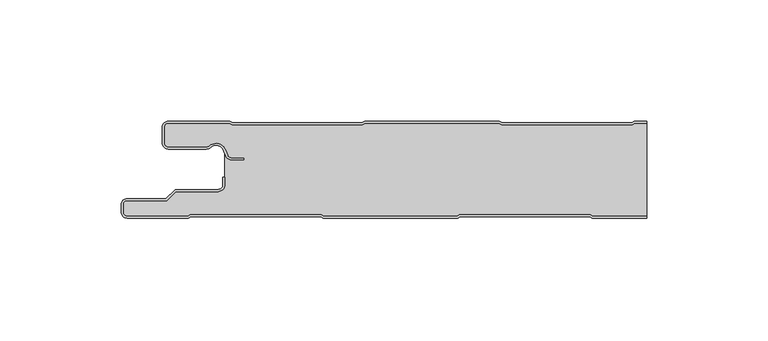
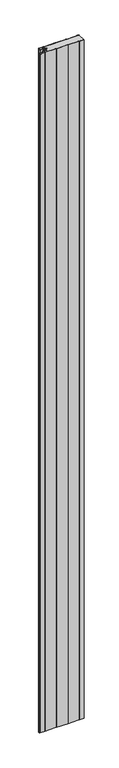
"""IFC4 building model written with IfcOpenShell, lengths in millimetres: plate geometry."""

import ifcopenshell
import ifcopenshell.guid

model = None  # the IFC model being written
_history = None  # IfcOwnerHistory: only IFC2X3 demands one
_inside = {}  # id of a spatial element -> (the spatial element, [elements in it])
_under = {}  # id of a project, library or spatial element -> (it, [spatial elements below it])
_declared = {}  # id of a project -> (the project, [libraries it declares])
_typed = {}  # id of a type object -> (the type object, [elements of that type])
_made_of = {}  # id of a material, layer set ... -> (it, [elements and type objects made of it])


def new_model(schema):
    """Start an empty IFC model of exactly this schema.

    Asked for "IFC4X3", IfcOpenShell would pick the latest addendum, in which some entities
    have other attributes; the version numbers below select the first issue.
    IFC2X3 requires an IfcOwnerHistory on every rooted entity: one is made here for all.
    """
    global model, _history
    if schema == "IFC4X3":
        model = ifcopenshell.file(schema_version=(4, 3, 0, 0))
    else:
        model = ifcopenshell.file(schema=schema)
    _inside.clear()
    _under.clear()
    _declared.clear()
    _typed.clear()
    _made_of.clear()
    _history = None
    if model.schema == "IFC2X3":
        org = make("IfcOrganization", Name="unknown")
        user = make(
            "IfcPersonAndOrganization",
            ThePerson=make("IfcPerson", FamilyName="unknown"),
            TheOrganization=org,
        )
        app = make(
            "IfcApplication",
            ApplicationDeveloper=org,
            Version="unknown",
            ApplicationFullName="unknown",
            ApplicationIdentifier="unknown",
        )
        _history = make(
            "IfcOwnerHistory",
            OwningUser=user,
            OwningApplication=app,
            ChangeAction="ADDED",
            CreationDate=0,
        )
    return model


def make(cls, **values):
    """One entity of the class cls with the attributes given. An attribute that is None is left unset."""
    return model.create_entity(
        cls, **{name: value for name, value in values.items() if value is not None}
    )


def rooted(cls, **values):
    """An entity with a GlobalId (a new one), such as an element, a storey or a relation."""
    return make(cls, GlobalId=ifcopenshell.guid.new(), OwnerHistory=_history, **values)


def si_unit(unit_type, name, prefix=None):
    """IfcSIUnit, for example si_unit("LENGTHUNIT", "METRE", prefix="MILLI")."""
    return make("IfcSIUnit", UnitType=unit_type, Prefix=prefix, Name=name)


def assignment(units):
    """IfcUnitAssignment: the units of a project."""
    return None if units is None else make("IfcUnitAssignment", Units=units)


def point(xyz):
    """IfcCartesianPoint."""
    return None if xyz is None else make("IfcCartesianPoint", Coordinates=xyz)


def direction(xyz):
    """IfcDirection."""
    return None if xyz is None else make("IfcDirection", DirectionRatios=xyz)


def frame(location, z_axis=None, x_axis=None):
    """IfcAxis2Placement3D, a coordinate frame: its origin and axes. An axis left out is left unset."""
    return make(
        "IfcAxis2Placement3D",
        Location=point(location),
        Axis=direction(z_axis),
        RefDirection=direction(x_axis),
    )


def frame_2d(location, x_axis=None):
    """IfcAxis2Placement2D, a coordinate frame in the plane: its origin and x axis."""
    return make(
        "IfcAxis2Placement2D", Location=point(location), RefDirection=direction(x_axis)
    )


def origin():
    """The frame at (0, 0, 0) with its axes left unset."""
    return frame((0.0, 0.0, 0.0))


def origin_with_axes():
    """The frame at (0, 0, 0) with the z axis (0, 0, 1) and the x axis (1, 0, 0) written out."""
    return frame((0.0, 0.0, 0.0), z_axis=(0.0, 0.0, 1.0), x_axis=(1.0, 0.0, 0.0))


def place(relative_to, where):
    """IfcLocalPlacement: puts the frame where relative to a parent placement (None: the world)."""
    return make(
        "IfcLocalPlacement", PlacementRelTo=relative_to, RelativePlacement=where
    )


def context(
    kind, dimensions, precision=None, world=None, true_north=None, identifier=None
):
    """IfcGeometricRepresentationContext, for example the 3D "Model" context."""
    return make(
        "IfcGeometricRepresentationContext",
        ContextIdentifier=identifier,
        ContextType=kind,
        CoordinateSpaceDimension=dimensions,
        Precision=precision,
        WorldCoordinateSystem=world,
        TrueNorth=true_north,
    )


def project(units=None, contexts=None):
    """IfcProject with its units and contexts."""
    return rooted(
        "IfcProject",
        Name="project",
        RepresentationContexts=contexts,
        UnitsInContext=assignment(units),
    )


def spatial(cls, under=None, at=None, **own):
    """A site, building, storey or space (cls), placed at a placement, below another one or the project."""
    s = rooted(cls, ObjectPlacement=at, **own)
    if under is not None:
        _under.setdefault(under.id(), (under, []))[1].append(s)
    return s


def polyline(points):
    """IfcPolyline through the points."""
    return make("IfcPolyline", Points=[point(p) for p in points])


def circle_curve(where, radius):
    """IfcCircle in the frame where."""
    return make("IfcCircle", Position=where, Radius=radius)


def trimmed(basis, trim1, trim2, sense, master):
    """IfcTrimmedCurve: the piece of a basis curve between two trims."""
    return make(
        "IfcTrimmedCurve",
        BasisCurve=basis,
        Trim1=trim1,
        Trim2=trim2,
        SenseAgreement=sense,
        MasterRepresentation=master,
    )


def segment(curve, same_sense, transition):
    """IfcCompositeCurveSegment."""
    return make(
        "IfcCompositeCurveSegment",
        Transition=transition,
        SameSense=same_sense,
        ParentCurve=curve,
    )


def composite_curve(segments, self_intersect=None):
    """IfcCompositeCurve: segments joined end to end."""
    return make("IfcCompositeCurve", Segments=segments, SelfIntersect=self_intersect)


def outline(outer, holes=None, kind="AREA"):
    """IfcArbitraryClosedProfileDef: a profile drawn as a closed curve; with holes, ...WithVoids."""
    if holes is None:
        return make("IfcArbitraryClosedProfileDef", ProfileType=kind, OuterCurve=outer)
    return make(
        "IfcArbitraryProfileDefWithVoids",
        ProfileType=kind,
        OuterCurve=outer,
        InnerCurves=holes,
    )


def extrude(swept, where, along, depth):
    """IfcExtrudedAreaSolid: the profile swept, set in the frame where, extruded along a direction by depth."""
    return make(
        "IfcExtrudedAreaSolid",
        SweptArea=swept,
        Position=where,
        ExtrudedDirection=direction(along),
        Depth=depth,
    )


def shape(context_of_items, identifier, shape_type, items):
    """IfcShapeRepresentation: the items that make up one representation, for example the "Body"."""
    return make(
        "IfcShapeRepresentation",
        ContextOfItems=context_of_items,
        RepresentationIdentifier=identifier,
        RepresentationType=shape_type,
        Items=items,
    )


def source(mapping_origin, context_of_items, identifier, shape_type, items):
    """IfcRepresentationMap: a shape defined once, which mapped items show again and again."""
    return make(
        "IfcRepresentationMap",
        MappingOrigin=mapping_origin,
        MappedRepresentation=shape(context_of_items, identifier, shape_type, items),
    )


def transform(
    local_origin,
    x_axis=None,
    y_axis=None,
    z_axis=None,
    scale=None,
    scale2=None,
    scale3=None,
    uniform=True,
):
    """IfcCartesianTransformationOperator3D, or its non-uniform kind. x_axis, y_axis, z_axis: its Axis1, 2, 3."""
    if uniform:
        return make(
            "IfcCartesianTransformationOperator3D",
            Axis1=direction(x_axis),
            Axis2=direction(y_axis),
            LocalOrigin=point(local_origin),
            Scale=scale,
            Axis3=direction(z_axis),
        )
    return make(
        "IfcCartesianTransformationOperator3DnonUniform",
        Axis1=direction(x_axis),
        Axis2=direction(y_axis),
        LocalOrigin=point(local_origin),
        Scale=scale,
        Axis3=direction(z_axis),
        Scale2=scale2,
        Scale3=scale3,
    )


def mapped(mapping_source, mapping_target):
    """IfcMappedItem: shows the shape of a source again, moved by a transform."""
    return make(
        "IfcMappedItem", MappingSource=mapping_source, MappingTarget=mapping_target
    )


def made_of(thing, what):
    """Note that an element or type object is made of a material, layer set ...; save() writes the relation."""
    if what is not None:
        _made_of.setdefault(what.id(), (what, []))[1].append(thing)
    return thing


def element(
    cls,
    number,
    at=None,
    inside=None,
    cuts=None,
    type_object=None,
    material=None,
    context=None,
    identifier="Body",
    shape_type=None,
    held_by="IfcProductDefinitionShape",
    body=None,
    shapes=None,
    **own,
):
    """One element of the class cls, such as IfcWall. Its Tag is "e" and its number.

    at: its placement. inside: the storey or other place that contains it. cuts: it is an
    opening in that element (IfcRelVoidsElement). A single representation is given by context,
    identifier, shape_type and body (its items); several are given by shapes. held_by: the class
    of the entity that holds the representations. save() writes the other relations.
    """
    e = rooted(cls, Tag="e%d" % number, ObjectPlacement=at, **own)
    if body is not None:
        shapes = [shape(context, identifier, shape_type, body)]
    if shapes is not None:
        e.Representation = make(held_by, Representations=shapes)
    if inside is not None:
        _inside.setdefault(inside.id(), (inside, []))[1].append(e)
    if cuts is not None:
        rooted(
            "IfcRelVoidsElement", RelatingBuildingElement=cuts, RelatedOpeningElement=e
        )
    if type_object is not None:
        _typed.setdefault(type_object.id(), (type_object, []))[1].append(e)
    return made_of(e, material)


def aggregate(whole, parts):
    """IfcRelAggregates: a whole, such as a stair, and the parts it consists of."""
    return rooted("IfcRelAggregates", RelatingObject=whole, RelatedObjects=parts)


def save(model, path):
    """Write the relations noted so far, then the file.

    IfcRelAggregates (storeys below a building ...), IfcRelContainedInSpatialStructure (elements
    in a storey), IfcRelDefinesByType, IfcRelAssociatesMaterial and IfcRelDeclares: one each for
    every whole, place, type object, material and project.
    """
    for whole, parts in _under.values():
        aggregate(whole, parts)
    for where, things in _inside.values():
        rooted(
            "IfcRelContainedInSpatialStructure",
            RelatedElements=things,
            RelatingStructure=where,
        )
    for kind, things in _typed.values():
        rooted("IfcRelDefinesByType", RelatedObjects=things, RelatingType=kind)
    for what, things in _made_of.values():
        rooted("IfcRelAssociatesMaterial", RelatedObjects=things, RelatingMaterial=what)
    for by, libraries in _declared.values():
        rooted("IfcRelDeclares", RelatingContext=by, RelatedDefinitions=libraries)
    model.write(path)


def plate_2ca455e5(model_context):
    return source(origin(), model_context, "Body", "SweptSolid", [
        extrude(outline(composite_curve([segment(polyline([(-117.0, -37.5), (-117.0, -34.5)]), True, "CONTINUOUS"), segment(trimmed(circle_curve(frame_2d((-114.5, -34.5)), 2.5), [point((-117.0, -34.5))], [point((-114.5, -32.0))], False, "CARTESIAN"), True, "CONTINUOUS"), segment(polyline([(-114.5, -32.0), (-98.5, -32.0), (-94.75, -28.25), (-77.0, -28.25)]), True, "CONTINUOUS"), segment(trimmed(circle_curve(frame_2d((-77.0, -26.25)), 2.0), [point((-77.0, -28.25))], [point((-75.0, -26.25))], True, "CARTESIAN"), True, "CONTINUOUS"), segment(polyline([(-75.0, -26.25), (-75.0, -23.25), (-74.2, -23.25), (-74.2, -26.25)]), True, "CONTINUOUS"), segment(trimmed(circle_curve(frame_2d((-77.0, -26.25)), 2.8), [point((-74.2, -26.25))], [point((-77.0, -29.05))], False, "CARTESIAN"), True, "CONTINUOUS"), segment(polyline([(-77.0, -29.05), (-94.4186292, -29.05), (-98.1686292, -32.8), (-114.5, -32.8)]), True, "CONTINUOUS"), segment(trimmed(circle_curve(frame_2d((-114.5, -34.5)), 1.7), [point((-114.5, -32.8))], [point((-116.2, -34.5))], True, "CARTESIAN"), True, "CONTINUOUS"), segment(polyline([(-116.2, -34.5), (-116.2, -37.5)]), True, "CONTINUOUS"), segment(trimmed(circle_curve(frame_2d((-114.5, -37.5)), 1.7), [point((-116.2, -37.5))], [point((-114.5, -39.2))], True, "CARTESIAN"), True, "CONTINUOUS"), segment(polyline([(-114.5, -39.2), (-89.4444842, -39.2), (-88.4469842, -38.6), (-34.4430158, -38.6), (-33.4455158, -39.2), (21.6655158, -39.2), (22.6630158, -38.6), (76.6669842, -38.6), (77.6644842, -39.2), (100.0, -39.2), (100.0, -40.0), (77.4424211, -40.0), (76.4449211, -39.4), (22.8850789, -39.4), (21.8875789, -40.0), (-33.6675789, -40.0), (-34.6650789, -39.4), (-88.2249211, -39.4), (-89.2224211, -40.0), (-114.5, -40.0)]), True, "CONTINUOUS"), segment(trimmed(circle_curve(frame_2d((-114.5, -37.5)), 2.5), [point((-114.5, -40.0))], [point((-117.0, -37.5))], False, "CARTESIAN"), True, "CONTINUOUS")], self_intersect=False)), origin_with_axes(), (0.0, 0.0, 1.0), 3500.0),
        extrude(outline(composite_curve([segment(trimmed(circle_curve(frame_2d((-97.49499, -9.0180361)), 2.50501), [point((-97.49499, -11.5230461))], [point((-100.0, -9.0180361))], False, "CARTESIAN"), True, "CONTINUOUS"), segment(polyline([(-100.0, -9.0180361), (-100.0, -2.50501)]), True, "CONTINUOUS"), segment(trimmed(circle_curve(frame_2d((-97.49499, -2.50501)), 2.50501), [point((-100.0, -2.50501))], [point((-97.49499, 0.0))], False, "CARTESIAN"), True, "CONTINUOUS"), segment(polyline([(-97.49499, 0.0), (-72.2103007, 0.0), (-71.028188, -0.6012024), (-17.6391467, -0.6012024), (-16.457034, 0.0), (39.1223647, 0.0), (40.3044773, -0.6012024), (93.6935186, -0.6012024), (94.8756313, 0.0), (100.0, 0.0), (100.0, -0.8), (95.0673777, -0.8), (93.885265, -1.4012024), (40.112731, -1.4012024), (38.9306183, -0.8), (-16.2652876, -0.8), (-17.4474003, -1.4012024), (-71.2199344, -1.4012024), (-72.4020471, -0.8), (-97.49499, -0.8)]), True, "CONTINUOUS"), segment(trimmed(circle_curve(frame_2d((-97.49499, -2.50501)), 1.70501), [point((-97.49499, -0.8))], [point((-99.2, -2.50501))], True, "CARTESIAN"), True, "CONTINUOUS"), segment(polyline([(-99.2, -2.50501), (-99.2, -9.0180361)]), True, "CONTINUOUS"), segment(trimmed(circle_curve(frame_2d((-97.49499, -9.0180361)), 1.70501), [point((-99.2, -9.0180361))], [point((-97.49499, -10.7230461))], True, "CARTESIAN"), True, "CONTINUOUS"), segment(polyline([(-97.49499, -10.7230461), (-81.8173283, -10.7230461)]), True, "CONTINUOUS"), segment(trimmed(circle_curve(frame_2d((-81.8173283, -9.0180361)), 1.70501), [point((-81.8173283, -10.7230461))], [point((-80.6895701, -10.2967936))], True, "CARTESIAN"), True, "CONTINUOUS"), segment(trimmed(circle_curve(frame_2d((-77.8407481, -13.5270541)), 4.307014), [point((-80.6895701, -10.2967936))], [point((-73.7934788, -12.0539686))], False, "CARTESIAN"), True, "CONTINUOUS"), segment(polyline([(-73.7934788, -12.0539686), (-73.0450711, -14.1102019)]), True, "CONTINUOUS"), segment(trimmed(circle_curve(frame_2d((-71.4428858, -13.5270541)), 1.70501), [point((-73.0450711, -14.1102019))], [point((-71.4428858, -15.2320641))], True, "CARTESIAN"), True, "CONTINUOUS"), segment(polyline([(-71.4428858, -15.2320641), (-66.4328657, -15.2320641), (-66.4328657, -16.0320641), (-71.4428858, -16.0320641)]), True, "CONTINUOUS"), segment(trimmed(circle_curve(frame_2d((-71.4428858, -13.5270541)), 2.50501), [point((-71.4428858, -16.0320641))], [point((-73.7968252, -14.383818))], False, "CARTESIAN"), True, "CONTINUOUS"), segment(polyline([(-73.7968252, -14.383818), (-74.5452329, -12.3275847)]), True, "CONTINUOUS"), segment(trimmed(circle_curve(frame_2d((-77.8407481, -13.5270541)), 3.507014), [point((-74.5452329, -12.3275847))], [point((-80.1604199, -10.8967936))], True, "CARTESIAN"), True, "CONTINUOUS"), segment(trimmed(circle_curve(frame_2d((-81.8173283, -9.0180361)), 2.50501), [point((-80.1604199, -10.8967936))], [point((-81.8173283, -11.5230461))], False, "CARTESIAN"), True, "CONTINUOUS"), segment(polyline([(-81.8173283, -11.5230461), (-97.49499, -11.5230461)]), True, "CONTINUOUS")], self_intersect=False)), origin_with_axes(), (0.0, 0.0, 1.0), 3500.0),
        extrude(outline(composite_curve([segment(polyline([(77.6644842, -39.2), (76.6669842, -38.6), (22.6630158, -38.6), (21.6655158, -39.2), (-33.4455158, -39.2), (-34.4430158, -38.6), (-88.4469842, -38.6), (-89.4444842, -39.2), (-114.5, -39.2)]), True, "CONTINUOUS"), segment(trimmed(circle_curve(frame_2d((-114.5, -37.5)), 1.7), [point((-114.5, -39.2))], [point((-116.2, -37.5))], False, "CARTESIAN"), True, "CONTINUOUS"), segment(polyline([(-116.2, -37.5), (-116.2, -34.5)]), True, "CONTINUOUS"), segment(trimmed(circle_curve(frame_2d((-114.5, -34.5)), 1.7), [point((-116.2, -34.5))], [point((-114.5, -32.8))], False, "CARTESIAN"), True, "CONTINUOUS"), segment(polyline([(-114.5, -32.8), (-98.1686292, -32.8), (-94.4186292, -29.05), (-77.0, -29.05)]), True, "CONTINUOUS"), segment(trimmed(circle_curve(frame_2d((-77.0, -26.25)), 2.8), [point((-77.0, -29.05))], [point((-74.2, -26.25))], True, "CARTESIAN"), True, "CONTINUOUS"), segment(polyline([(-74.2, -26.25), (-74.2, -11.2258973)]), True, "CONTINUOUS"), segment(trimmed(circle_curve(frame_2d((-77.8407481, -13.5270541)), 4.307014), [point((-74.2, -11.2258973))], [point((-80.6895701, -10.2967936))], True, "CARTESIAN"), True, "CONTINUOUS"), segment(trimmed(circle_curve(frame_2d((-81.8173283, -9.0180361)), 1.70501), [point((-80.6895701, -10.2967936))], [point((-81.8173283, -10.7230461))], False, "CARTESIAN"), True, "CONTINUOUS"), segment(polyline([(-81.8173283, -10.7230461), (-97.49499, -10.7230461)]), True, "CONTINUOUS"), segment(trimmed(circle_curve(frame_2d((-97.49499, -9.0180361)), 1.70501), [point((-97.49499, -10.7230461))], [point((-99.2, -9.0180361))], False, "CARTESIAN"), True, "CONTINUOUS"), segment(polyline([(-99.2, -9.0180361), (-99.2, -2.50501)]), True, "CONTINUOUS"), segment(trimmed(circle_curve(frame_2d((-97.49499, -2.50501)), 1.70501), [point((-99.2, -2.50501))], [point((-97.49499, -0.8))], False, "CARTESIAN"), True, "CONTINUOUS"), segment(polyline([(-97.49499, -0.8), (-72.4020471, -0.8), (-71.2199344, -1.4012024), (-17.4474003, -1.4012024), (-16.2652876, -0.8), (38.9306183, -0.8), (40.112731, -1.4012024), (93.885265, -1.4012024), (95.0673777, -0.8), (100.0, -0.8), (100.0, -39.2), (77.6644842, -39.2)]), True, "CONTINUOUS")], self_intersect=False)), origin_with_axes(), (0.0, 0.0, 1.0), 3500.0),
    ])


if __name__ == "__main__":
    model = new_model("IFC4")
    model_context = context("Model", 3, world=origin())
    ifc_project = project(units=[si_unit("LENGTHUNIT", "METRE", prefix="MILLI")], contexts=[model_context])
    site = spatial("IfcSite", under=ifc_project)
    building = spatial("IfcBuilding", under=site)
    placement = place(None, origin())
    plate_shape = plate_2ca455e5(model_context)
    element("IfcPlate", 1, at=placement, inside=building, context=model_context, shape_type="MappedRepresentation", body=[
        mapped(plate_shape, transform((0.0, 0.0, 0.0), x_axis=(1.0, 0.0, 0.0), y_axis=(0.0, 1.0, 0.0), z_axis=(0.0, 0.0, 1.0))),
    ])
    save(model, "model.ifc")
